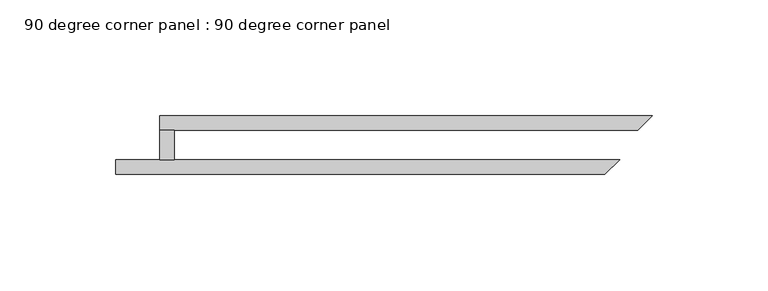
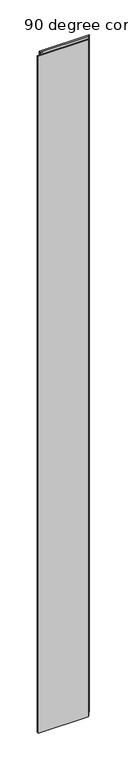
"""IFC4 building model written with IfcOpenShell, lengths in millimetres: plate geometry, 90 degree corner panel : 90 degree corner panel."""

from ifc_helpers import new_model, si_unit, origin, origin_with_axes, place, context, project, spatial, polyline, outline, extrude, source, transform, mapped, element, save


def plate_90_degree_corner_panel_90_degree_corner_panel_63cb81a6(model_context):
    return source(origin(), model_context, "Body", "SweptSolid", [
        extrude(outline(polyline([(19.05, 19.05), (25.4, 19.05), (25.4, 6.35), (19.05, 6.35), (19.05, 19.05)])), origin_with_axes(), (0.0, 0.0, 1.0), 3048.0),
        extrude(outline(polyline([(211.7823754, 0.0), (0.0, 0.0), (0.0, 6.35), (218.1323754, 6.35), (211.7823754, 0.0)])), origin_with_axes(), (0.0, 0.0, 1.0), 3048.0),
        extrude(outline(polyline([(19.05, 25.4), (232.3689946, 25.4), (226.0189946, 19.05), (19.05, 19.05), (19.05, 25.4)])), origin_with_axes(), (0.0, 0.0, 1.0), 3048.0),
    ])


if __name__ == "__main__":
    model = new_model("IFC4")
    model_context = context("Model", 3, world=origin())
    ifc_project = project(units=[si_unit("LENGTHUNIT", "METRE", prefix="MILLI")], contexts=[model_context])
    site = spatial("IfcSite", under=ifc_project)
    building = spatial("IfcBuilding", under=site)
    placement = place(None, origin())
    plate_90_degree_corner_panel_90_degree_corner_panel_shape = plate_90_degree_corner_panel_90_degree_corner_panel_63cb81a6(model_context)
    element("IfcPlate", 1, ObjectType="90 degree corner panel : 90 degree corner panel", at=placement, inside=building, context=model_context, shape_type="MappedRepresentation", body=[
        mapped(plate_90_degree_corner_panel_90_degree_corner_panel_shape, transform((0.0, 0.0, 0.0), x_axis=(1.0, 0.0, 0.0), y_axis=(0.0, 1.0, 0.0), z_axis=(0.0, 0.0, 1.0))),
    ])
    save(model, "model.ifc")
